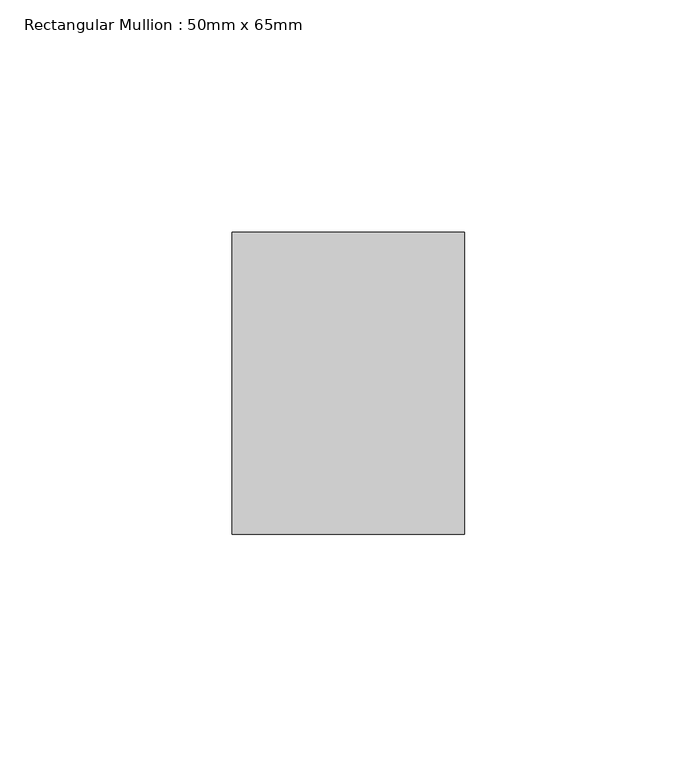
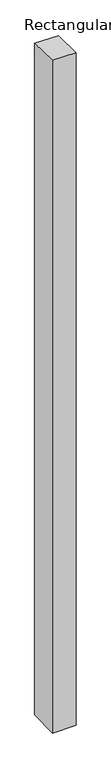
"""IFC4 building model written with IfcOpenShell, lengths in millimetres: member geometry, Rectangular Mullion : 50mm x 65mm."""

from ifc_helpers import new_model, si_unit, origin, place, context, project, spatial, faceted_brep, source, transform, mapped, element, save


def rectangular_mullion_50mm_x_65mm_b96c340e(model_context):
    return source(origin(), model_context, "Body", "Brep", [
        faceted_brep([(-25.0, 32.5, -0.71271), (25.0, 32.5, -0.7127054), (25.0, 32.5, -1499.1021769), (-25.0, 32.5, -1499.1021711), (-25.0, -32.5, 0.7127054), (-25.0, -32.5, -1500.8980978), (25.0, -32.5, 0.71271), (25.0, -32.5, -1500.8981036)], [[[0, 1, 2, 3]], [[4, 0, 3, 5]], [[6, 4, 5, 7]], [[1, 6, 7, 2]], [[1, 0, 4, 6]], [[2, 7, 5, 3]]]),
    ])


if __name__ == "__main__":
    model = new_model("IFC4")
    model_context = context("Model", 3, world=origin())
    ifc_project = project(units=[si_unit("LENGTHUNIT", "METRE", prefix="MILLI")], contexts=[model_context])
    site = spatial("IfcSite", under=ifc_project)
    building = spatial("IfcBuilding", under=site)
    placement = place(None, origin())
    rectangular_mullion_50mm_x_65mm_shape = rectangular_mullion_50mm_x_65mm_b96c340e(model_context)
    element("IfcMember", 1, ObjectType="Rectangular Mullion : 50mm x 65mm", at=placement, inside=building, context=model_context, shape_type="MappedRepresentation", body=[
        mapped(rectangular_mullion_50mm_x_65mm_shape, transform((0.0, 0.0, 0.0), x_axis=(1.0, 0.0, 0.0), y_axis=(0.0, 1.0, 0.0), z_axis=(0.0, 0.0, 1.0))),
    ])
    save(model, "model.ifc")
